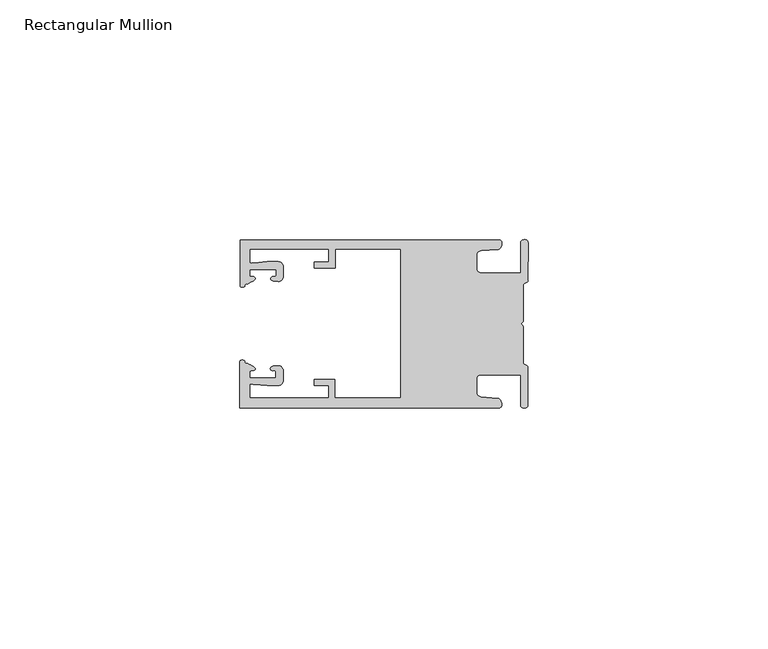
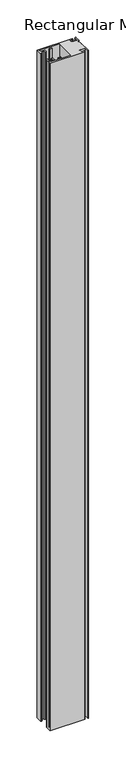
"""IFC4 building model written with IfcOpenShell, lengths in millimetres: member geometry, Rectangular Mullion."""

from ifc_helpers import new_model, si_unit, frame, origin, place, context, project, spatial, circle_curve, source, transform, mapped, element, save
from ifc_brep_helpers import plane_surface, cylinder_surface, extruded_surface, spline_curve, advanced_brep


def rectangular_mullion_eef07542(model_context):
    return source(origin(), model_context, "Body", "AdvancedBrep", [
        advanced_brep(
        [(-60.0749377, 17.5111528, 0.0), (-60.0749377, 8.0140787, 0.0), (-59.3252567, 7.7187455, 0.0), (-58.4967974, 8.36785, 0.0), (-58.0726619, 10.1173923, 0.0), (-58.0713101, 11.3673916, 0.0), (-52.5713133, 11.3614437, 0.0), (-52.5726651, 10.1114444, 0.0), (-53.1427626, 8.8955539, 0.0), (-52.0740172, 8.8609044, 0.0), (-51.0729364, 9.8598224, 0.0), (-51.0706653, 11.9598211, 0.0), (-52.0700692, 12.9609024, 0.0), (-54.3905105, 12.9622843, 0.0), (-57.1599646, 12.7230061, 0.0), (-58.0696339, 12.9173907, 0.0), (-58.066768, 15.5673891, 0.0), (-41.5667584, 15.5673891, 0.0), (-41.5695894, 12.9495468, 0.0), (-44.5695877, 12.9527912, 0.0), (-44.5709936, 11.6527919, 0.0), (-40.2709961, 11.6481417, 0.0), (-40.2667576, 15.5673891, 0.0), (-26.6002952, 15.5673891, 0.0), (-26.6002952, -15.4518424, 0.0), (-40.3003032, -15.4518424, 0.0), (-40.2960856, -11.5518447, 0.0), (-44.5960831, -11.5471945, 0.0), (-44.597489, -12.8471938, 0.0), (-41.5974907, -12.8504381, 0.0), (-41.6003025, -15.4504366, 0.0), (-58.1002928, -15.4325927, 0.0), (-58.097427, -12.7825943, 0.0), (-57.1873395, -12.5901776, 0.0), (-54.4184094, -12.8354453, 0.0), (-52.0979705, -12.8390822, 0.0), (-51.0964037, -11.8401649, 0.0), (-51.0941327, -9.7401662, 0.0), (-52.0930507, -8.7390853, 0.0), (-53.1618685, -8.7714231, 0.0), (-52.5944022, -9.9885439, 0.0), (-52.595754, -11.2385431, 0.0), (-58.0957508, -11.2325952, 0.0), (-58.094399, -9.9825959, 0.0), (-58.5147494, -8.2321403, 0.0), (-59.3418028, -7.5812455, 0.0), (-60.0921208, -7.8749565, 0.0), (-60.0921208, -17.4888267, 0.0), (-6.1024861, -17.4888267, 0.0), (-6.5218639, -15.488372, 0.0), (-9.8784944, -15.2205466, 0.0), (-10.7989567, -14.2226333, 0.0), (-10.7961029, -11.5837474, 0.0), (-9.8734844, -10.5878272, 0.0), (-1.5950266, -10.5934991, 0.0), (-1.601948, -16.9936935, 0.0), (-0.1017194, -16.7830581, 0.0), (-0.0933208, -9.0170082, 0.0), (-1.0923837, -8.1499018, 0.0), (-1.0842165, -0.5977972, 0.0), (-1.0829111, 0.6093089, 0.0), (-1.0747439, 8.1614135, 0.0), (-0.0738079, 9.026357, 0.0), (-0.0654093, 16.7924069, 0.0), (-1.5651789, 17.0062866, 0.0), (-1.5651789, 10.6183257, 0.0), (-9.8505511, 10.6183257, 0.0), (-10.7710133, 11.6162391, 0.0), (-10.7681595, 14.255125, 0.0), (-9.845541, 15.2510452, 0.0), (-6.4883391, 15.5116099, 0.0), (-6.0646356, 17.5111528, 0.0), (-60.0749377, 17.5111528, -1092.2), (-6.0646356, 17.5111528, -1092.2), (-6.4883391, 15.5116099, -1092.2), (-9.845541, 15.2510452, -1092.2), (-10.7681595, 14.255125, -1092.2), (-10.7710133, 11.6162391, -1092.2), (-9.8505511, 10.6183257, -1092.2), (-1.5651789, 10.6183257, -1092.2), (-1.5651789, 17.0062866, -1092.2), (-0.0654093, 16.7924069, -1092.2), (-0.0738079, 9.026357, -1092.2), (-1.0747439, 8.1614135, -1092.2), (-1.0829111, 0.6093089, -1092.2), (-1.0842165, -0.5977972, -1092.2), (-1.0923837, -8.1499018, -1092.2), (-0.0933208, -9.0170082, -1092.2), (-0.1017194, -16.7830581, -1092.2), (-1.601948, -16.9936935, -1092.2), (-1.5950266, -10.5934991, -1092.2), (-9.8734844, -10.5878272, -1092.2), (-10.7961029, -11.5837474, -1092.2), (-10.7989567, -14.2226333, -1092.2), (-9.8784944, -15.2205466, -1092.2), (-6.5218639, -15.488372, -1092.2), (-6.1024861, -17.4888267, -1092.2), (-60.0921208, -17.4888267, -1092.2), (-60.0921208, -7.8749565, -1092.2), (-59.3418028, -7.5812455, -1092.2), (-58.5147494, -8.2321403, -1092.2), (-58.094399, -9.9825959, -1092.2), (-58.0957508, -11.2325952, -1092.2), (-52.595754, -11.2385431, -1092.2), (-52.5944022, -9.9885439, -1092.2), (-53.1618685, -8.7714231, -1092.2), (-52.0930507, -8.7390853, -1092.2), (-51.0941327, -9.7401662, -1092.2), (-51.0964037, -11.8401649, -1092.2), (-52.0979705, -12.8390823, -1092.2), (-54.4184094, -12.8354453, -1092.2), (-57.1873395, -12.5901776, -1092.2), (-58.097427, -12.7825943, -1092.2), (-58.1002928, -15.4325927, -1092.2), (-41.6003025, -15.4504366, -1092.2), (-41.5974907, -12.8504381, -1092.2), (-44.597489, -12.8471938, -1092.2), (-44.5960831, -11.5471945, -1092.2), (-40.2960856, -11.5518447, -1092.2), (-40.3003032, -15.4518424, -1092.2), (-26.6002952, -15.4518424, -1092.2), (-26.6002952, 15.5673891, -1092.2), (-40.2667576, 15.5673891, -1092.2), (-40.2709961, 11.6481417, -1092.2), (-44.5709936, 11.6527919, -1092.2), (-44.5695877, 12.9527912, -1092.2), (-41.5695894, 12.9495468, -1092.2), (-41.5667584, 15.5673891, -1092.2), (-58.066768, 15.5673891, -1092.2), (-58.0696339, 12.9173907, -1092.2), (-57.1599646, 12.7230061, -1092.2), (-54.3905105, 12.9622843, -1092.2), (-52.0700692, 12.9609023, -1092.2), (-51.0706653, 11.9598211, -1092.2), (-51.0729364, 9.8598224, -1092.2), (-52.0740172, 8.8609044, -1092.2), (-53.1427626, 8.8955539, -1092.2), (-52.5726651, 10.1114444, -1092.2), (-52.5713133, 11.3614437, -1092.2), (-58.0713101, 11.3673916, -1092.2), (-58.0726619, 10.1173923, -1092.2), (-58.4967974, 8.36785, -1092.2), (-59.3252567, 7.7187455, -1092.2), (-60.0749377, 8.0140787, -1092.2)],
        [
            (0, 1),
            (1, 2, spline_curve(3, [(-60.0749377, 8.0140787, 0.0), (-60.075233123, 7.740904774, 0.0), (-59.825339491, 7.642460332, 0.0), (-59.3252567, 7.7187455, 0.0)], [4, 4], [0.0, 0.0019169337574178654])),
            (2, 3, spline_curve(3, [(-59.3252567, 7.7187455, 0.0), (-59.094460914, 7.75918372, 0.0), (-59.054835463, 7.902257199, 0.0), (-59.05559987, 8.233305614, 0.0), (-59.138729113, 8.4134359, 0.0), (-58.4967974, 8.36785, 0.0)], [4, 2, 4], [0.0, 0.0010199524164107188, 0.0024874514725970356])),
            (3, 4, spline_curve(3, [(-58.4967974, 8.36785, 0.0), (-57.022393378, 9.053435667, 0.0), (-56.827266887, 9.364828726, 0.0), (-56.982213078, 9.742623404, 0.0), (-57.177375211, 9.855581791, 0.0), (-57.697928101, 9.887955071, 0.0), (-57.997449153, 9.835475348, 0.0), (-58.0726619, 10.1173923, 0.0)], [4, 2, 2, 4], [0.0, 0.003269869179570428, 0.005490050486237203, 0.0073545767114364426])),
            (4, 5),
            (5, 6),
            (6, 7),
            (7, 8, spline_curve(3, [(-52.5726651, 10.1114444, 0.0), (-52.667195519, 9.760172042, 0.0), (-52.937094388, 9.861877724, 0.0), (-53.356237032, 9.895631753, 0.0), (-53.491940439, 9.811038713, 0.0), (-53.761900775, 9.511438033, 0.0), (-53.892893546, 9.278787104, 0.0), (-53.1427626, 8.8955539, 0.0)], [4, 2, 2, 4], [0.0, 0.001593963049934732, 0.0033360256320283306, 0.005339140673503943])),
            (8, 9),
            (9, 10, circle_curve(frame((-52.0729358, 9.8609038, 0.0), z_axis=(0.0, 0.0, 1.0), x_axis=(-0.0010814451158600304, -0.9999994152380598, 0.0)), 1.0)),
            (10, 11),
            (11, 12, circle_curve(frame((-52.0706647, 11.9609026, 0.0), z_axis=(0.0, 0.0, 1.0), x_axis=(-0.0010814451158600304, -0.9999994152380598, 0.0)), 1.0)),
            (12, 13),
            (13, 14),
            (14, 15, spline_curve(3, [(-57.1599646, 12.7230061, 0.0), (-57.631533854, 12.682262968, 0.0), (-58.018602985, 12.477800124, 0.0), (-58.0696339, 12.9173907, 0.0)], [4, 4], [0.0, 0.0014803385355886016])),
            (15, 16),
            (16, 17),
            (17, 18),
            (18, 19),
            (19, 20),
            (20, 21),
            (21, 22),
            (22, 23),
            (23, 24),
            (24, 25),
            (25, 26),
            (26, 27),
            (27, 28),
            (28, 29),
            (29, 30),
            (30, 31),
            (31, 32),
            (32, 33, spline_curve(3, [(-58.097427, -12.7825943, 0.0), (-58.045445419, -12.343115126, 0.0), (-57.658819528, -12.548414611, 0.0), (-57.1873395, -12.5901776, 0.0)], [4, 4], [0.0, 0.0014803385355886016])),
            (33, 34),
            (34, 35),
            (35, 36, circle_curve(frame((-52.0964031, -11.8390835, 0.0), z_axis=(0.0, 0.0, 1.0), x_axis=(0.0010814451158600304, 0.9999994152380598, 0.0)), 1.0)),
            (36, 37),
            (37, 38, circle_curve(frame((-52.0941321, -9.7390847, 0.0), z_axis=(0.0, 0.0, 1.0), x_axis=(0.0010814451158600304, 0.9999994152380598, 0.0)), 1.0)),
            (38, 39),
            (39, 40, spline_curve(3, [(-53.1618685, -8.7714231, 0.0), (-53.912826582, -9.153032958, 0.0), (-53.782337352, -9.385966711, 0.0), (-53.51302565, -9.686150585, 0.0), (-53.377505444, -9.771037009, 0.0), (-52.958290774, -9.738189618, 0.0), (-52.688172635, -9.637067904, 0.0), (-52.5944022, -9.9885439, 0.0)], [4, 2, 2, 4], [0.0, 0.002003115041475612, 0.0037451776235692107, 0.005339140673503943])),
            (40, 41),
            (41, 42),
            (42, 43),
            (43, 44, spline_curve(3, [(-58.094399, -9.9825959, 0.0), (-58.018576674, -9.700842284, 0.0), (-57.719169706, -9.753969703, 0.0), (-57.198548014, -9.722722397, 0.0), (-57.003142178, -9.61018632, 0.0), (-56.847379222, -9.232727657, 0.0), (-57.041831673, -8.920913336, 0.0), (-58.5147494, -8.2321403, 0.0)], [4, 2, 2, 4], [0.0, 0.0018645262251992395, 0.004084707531866015, 0.0073545767114364426])),
            (44, 45, spline_curve(3, [(-58.5147494, -8.2321403, 0.0), (-59.156778208, -8.276337666, 0.0), (-59.073259494, -8.096387681, 0.0), (-59.071779067, -7.765341694, 0.0), (-59.111095017, -7.622182811, 0.0), (-59.3418028, -7.5812455, 0.0)], [4, 2, 4], [0.0, 0.0014674990561863168, 0.0024874514725970356])),
            (45, 46, spline_curve(3, [(-59.3418028, -7.5812455, 0.0), (-59.841719425, -7.503878887, 0.0), (-60.091825377, -7.601782574, 0.0), (-60.0921208, -7.8749565, 0.0)], [4, 4], [0.0, 0.0019169337574178654])),
            (46, 47),
            (47, 48),
            (48, 49, spline_curve(3, [(-6.1024861, -17.4888267, 0.0), (-5.074532184, -17.418062188, 0.0), (-5.631140689, -15.411414367, 0.0), (-6.5218639, -15.488372, 0.0)], [4, 4], [0.0, 0.0043819361547461745])),
            (49, 50),
            (50, 51, spline_curve(3, [(-9.8784944, -15.2205466, 0.0), (-10.440691543, -15.150698463, 0.0), (-10.74751234, -14.818060727, 0.0), (-10.7989567, -14.2226333, 0.0)], [4, 4], [0.0, 0.0028645797420738927])),
            (51, 52),
            (52, 53, spline_curve(3, [(-10.7961029, -11.5837474, 0.0), (-10.743370817, -10.988432634, 0.0), (-10.435831301, -10.656459204, 0.0), (-9.8734844, -10.5878272, 0.0)], [4, 4], [0.0, 0.0028645797420738927])),
            (53, 54),
            (54, 55),
            (55, 56, spline_curve(3, [(-1.601948, -16.9936935, 0.0), (-1.655676874, -17.600261454, 0.0), (-0.043737403, -17.912795581, 0.0), (-0.1017194, -16.7830581, 0.0)], [4, 4], [0.0, 0.0036987374396357936])),
            (56, 57),
            (57, 58, spline_curve(3, [(-0.0933208, -9.0170082, 0.0), (-0.018818183, -8.695886697, 0.0), (-1.193434327, -8.459763043, 0.0), (-1.0923837, -8.1499018, 0.0)], [4, 4], [0.0, 0.002027216749630121])),
            (58, 59),
            (59, 60, spline_curve(3, [(-1.0842165, -0.5977972, 0.0), (-1.013223198, -0.445980437, 0.0), (-1.487945123, -0.206736825, 0.0), (-1.487409651, 0.231097965, 0.0), (-0.999110985, 0.429090391, 0.0), (-1.0829111, 0.6093089, 0.0)], [4, 2, 4], [0.0, 0.00249866671847065, 0.005031402919736269])),
            (60, 61),
            (61, 62, spline_curve(3, [(-1.0747439, 8.1614135, 0.0), (-1.175124095, 8.47149258, 0.0), (-7e-09, 8.705075107, 0.0), (-0.0738079, 9.026357, 0.0)], [4, 4], [0.0, 0.002027216749630121])),
            (62, 63),
            (63, 64, spline_curve(3, [(-0.0654093, 16.7924069, 0.0), (-0.004983942, 17.92201633, 0.0), (-1.617595709, 17.612969344, 0.0), (-1.5651789, 17.0062866, 0.0)], [4, 4], [0.0, 0.0036987374396357936])),
            (64, 65),
            (65, 66),
            (66, 67, spline_curve(3, [(-9.8505511, 10.6183257, 0.0), (-10.412748243, 10.688173837, 0.0), (-10.71956894, 11.020811673, 0.0), (-10.7710133, 11.6162391, 0.0)], [4, 4], [0.0, 0.0028645797420738927])),
            (67, 68),
            (68, 69, spline_curve(3, [(-10.7681595, 14.255125, 0.0), (-10.715427417, 14.850439766, 0.0), (-10.407887901, 15.182413196, 0.0), (-9.845541, 15.2510452, 0.0)], [4, 4], [0.0, 0.0028645797420738927])),
            (69, 70),
            (70, 71, spline_curve(3, [(-6.4883391, 15.5116099, 0.0), (-5.597784423, 15.432725911, 0.0), (-5.036837144, 17.438165103, 0.0), (-6.0646356, 17.5111528, 0.0)], [4, 4], [0.0, 0.0043819361547461745])),
            (71, 0),
            (72, 73),
            (73, 74, spline_curve(3, [(-6.0646356, 17.5111528, -1092.2), (-5.036837144, 17.438165103, -1092.2), (-5.597784423, 15.432725911, -1092.2), (-6.4883391, 15.5116099, -1092.2)], [4, 4], [0.0, 0.0043819361547461745])),
            (74, 75),
            (75, 76, spline_curve(3, [(-9.845541, 15.2510452, -1092.2), (-10.407887901, 15.182413196, -1092.2), (-10.715427417, 14.850439766, -1092.2), (-10.7681595, 14.255125, -1092.2)], [4, 4], [0.0, 0.0028645797420738927])),
            (76, 77),
            (77, 78, spline_curve(3, [(-10.7710133, 11.6162391, -1092.2), (-10.71956894, 11.020811673, -1092.2), (-10.412748243, 10.688173837, -1092.2), (-9.8505511, 10.6183257, -1092.2)], [4, 4], [0.0, 0.0028645797420738927])),
            (78, 79),
            (79, 80),
            (80, 81, spline_curve(3, [(-1.5651789, 17.0062866, -1092.2), (-1.617595709, 17.612969344, -1092.2), (-0.004983942, 17.92201633, -1092.2), (-0.0654093, 16.7924069, -1092.2)], [4, 4], [0.0, 0.0036987374396357936])),
            (81, 82),
            (82, 83, spline_curve(3, [(-0.0738079, 9.026357, -1092.2), (-7e-09, 8.705075107, -1092.2), (-1.175124095, 8.47149258, -1092.2), (-1.0747439, 8.1614135, -1092.2)], [4, 4], [0.0, 0.002027216749630121])),
            (83, 84),
            (84, 85, spline_curve(3, [(-1.0829111, 0.6093089, -1092.2), (-0.999110985, 0.429090391, -1092.2), (-1.487409651, 0.231097965, -1092.2), (-1.487945123, -0.206736825, -1092.2), (-1.013223198, -0.445980437, -1092.2), (-1.0842165, -0.5977972, -1092.2)], [4, 2, 4], [0.0, 0.002532736201265619, 0.005031402919736269])),
            (85, 86),
            (86, 87, spline_curve(3, [(-1.0923837, -8.1499018, -1092.2), (-1.193434327, -8.459763043, -1092.2), (-0.018818183, -8.695886697, -1092.2), (-0.0933208, -9.0170082, -1092.2)], [4, 4], [0.0, 0.002027216749630121])),
            (87, 88),
            (88, 89, spline_curve(3, [(-0.1017194, -16.7830581, -1092.2), (-0.043737403, -17.912795581, -1092.2), (-1.655676874, -17.600261454, -1092.2), (-1.601948, -16.9936935, -1092.2)], [4, 4], [0.0, 0.0036987374396357936])),
            (89, 90),
            (90, 91),
            (91, 92, spline_curve(3, [(-9.8734844, -10.5878272, -1092.2), (-10.435831301, -10.656459204, -1092.2), (-10.743370817, -10.988432634, -1092.2), (-10.7961029, -11.5837474, -1092.2)], [4, 4], [0.0, 0.0028645797420738927])),
            (92, 93),
            (93, 94, spline_curve(3, [(-10.7989567, -14.2226333, -1092.2), (-10.74751234, -14.818060727, -1092.2), (-10.440691543, -15.150698463, -1092.2), (-9.8784944, -15.2205466, -1092.2)], [4, 4], [0.0, 0.0028645797420738927])),
            (94, 95),
            (95, 96, spline_curve(3, [(-6.5218639, -15.488372, -1092.2), (-5.631140689, -15.411414367, -1092.2), (-5.074532184, -17.418062188, -1092.2), (-6.1024861, -17.4888267, -1092.2)], [4, 4], [0.0, 0.0043819361547461745])),
            (96, 97),
            (97, 98),
            (98, 99, spline_curve(3, [(-60.0921208, -7.8749565, -1092.2), (-60.091825377, -7.601782574, -1092.2), (-59.841719425, -7.503878887, -1092.2), (-59.3418028, -7.5812455, -1092.2)], [4, 4], [0.0, 0.0019169337574178654])),
            (99, 100, spline_curve(3, [(-59.3418028, -7.5812455, -1092.2), (-59.111095017, -7.622182811, -1092.2), (-59.071779067, -7.765341694, -1092.2), (-59.073259494, -8.096387681, -1092.2), (-59.156778208, -8.276337666, -1092.2), (-58.5147494, -8.2321403, -1092.2)], [4, 2, 4], [0.0, 0.0010199524164107188, 0.0024874514725970356])),
            (100, 101, spline_curve(3, [(-58.5147494, -8.2321403, -1092.2), (-57.041831673, -8.920913336, -1092.2), (-56.847379222, -9.232727657, -1092.2), (-57.003142178, -9.61018632, -1092.2), (-57.198548014, -9.722722397, -1092.2), (-57.719169706, -9.753969703, -1092.2), (-58.018576674, -9.700842284, -1092.2), (-58.094399, -9.9825959, -1092.2)], [4, 2, 2, 4], [0.0, 0.003269869179570428, 0.005490050486237203, 0.0073545767114364426])),
            (101, 102),
            (102, 103),
            (103, 104),
            (104, 105, spline_curve(3, [(-52.5944022, -9.9885439, -1092.2), (-52.688172635, -9.637067904, -1092.2), (-52.958290774, -9.738189618, -1092.2), (-53.377505444, -9.771037009, -1092.2), (-53.51302565, -9.686150585, -1092.2), (-53.782337352, -9.385966711, -1092.2), (-53.912826582, -9.153032958, -1092.2), (-53.1618685, -8.7714231, -1092.2)], [4, 2, 2, 4], [0.0, 0.001593963049934732, 0.0033360256320283306, 0.005339140673503943])),
            (105, 106),
            (106, 107, circle_curve(frame((-52.0941321, -9.7390847, -1092.2), z_axis=(0.0, 0.0, -1.0), x_axis=(0.0010814451158600304, 0.9999994152380598, 0.0)), 1.0)),
            (107, 108),
            (108, 109, circle_curve(frame((-52.0964031, -11.8390835, -1092.2), z_axis=(0.0, 0.0, -1.0), x_axis=(0.0010814451158600304, 0.9999994152380598, 0.0)), 1.0)),
            (109, 110),
            (110, 111),
            (111, 112, spline_curve(3, [(-57.1873395, -12.5901776, -1092.2), (-57.658819528, -12.548414611, -1092.2), (-58.045445419, -12.343115126, -1092.2), (-58.097427, -12.7825943, -1092.2)], [4, 4], [0.0, 0.0014803385355886016])),
            (112, 113),
            (113, 114),
            (114, 115),
            (115, 116),
            (116, 117),
            (117, 118),
            (118, 119),
            (119, 120),
            (120, 121),
            (121, 122),
            (122, 123),
            (123, 124),
            (124, 125),
            (125, 126),
            (126, 127),
            (127, 128),
            (128, 129),
            (129, 130, spline_curve(3, [(-58.0696339, 12.9173907, -1092.2), (-58.018602985, 12.477800124, -1092.2), (-57.631533854, 12.682262968, -1092.2), (-57.1599646, 12.7230061, -1092.2)], [4, 4], [0.0, 0.0014803385355886016])),
            (130, 131),
            (131, 132),
            (132, 133, circle_curve(frame((-52.0706647, 11.9609026, -1092.2), z_axis=(0.0, 0.0, -1.0), x_axis=(-0.0010814451158600304, -0.9999994152380598, 0.0)), 1.0)),
            (133, 134),
            (134, 135, circle_curve(frame((-52.0729358, 9.8609038, -1092.2), z_axis=(0.0, 0.0, -1.0), x_axis=(-0.0010814451158600304, -0.9999994152380598, 0.0)), 1.0)),
            (135, 136),
            (136, 137, spline_curve(3, [(-53.1427626, 8.8955539, -1092.2), (-53.892893546, 9.278787104, -1092.2), (-53.761900775, 9.511438033, -1092.2), (-53.491940439, 9.811038713, -1092.2), (-53.356237032, 9.895631753, -1092.2), (-52.937094388, 9.861877724, -1092.2), (-52.667195519, 9.760172042, -1092.2), (-52.5726651, 10.1114444, -1092.2)], [4, 2, 2, 4], [0.0, 0.002003115041475612, 0.0037451776235692107, 0.005339140673503943])),
            (137, 138),
            (138, 139),
            (139, 140),
            (140, 141, spline_curve(3, [(-58.0726619, 10.1173923, -1092.2), (-57.997449153, 9.835475348, -1092.2), (-57.697928101, 9.887955071, -1092.2), (-57.177375211, 9.855581791, -1092.2), (-56.982213078, 9.742623404, -1092.2), (-56.827266887, 9.364828726, -1092.2), (-57.022393378, 9.053435667, -1092.2), (-58.4967974, 8.36785, -1092.2)], [4, 2, 2, 4], [0.0, 0.0018645262251992395, 0.004084707531866015, 0.0073545767114364426])),
            (141, 142, spline_curve(3, [(-58.4967974, 8.36785, -1092.2), (-59.138729113, 8.4134359, -1092.2), (-59.05559987, 8.233305614, -1092.2), (-59.054835463, 7.902257199, -1092.2), (-59.094460914, 7.75918372, -1092.2), (-59.3252567, 7.7187455, -1092.2)], [4, 2, 4], [0.0, 0.0014674990561863168, 0.0024874514725970356])),
            (142, 143, spline_curve(3, [(-59.3252567, 7.7187455, -1092.2), (-59.825339491, 7.642460332, -1092.2), (-60.075233123, 7.740904774, -1092.2), (-60.0749377, 8.0140787, -1092.2)], [4, 4], [0.0, 0.0019169337574178654])),
            (143, 72),
            (0, 72),
            (143, 1),
            (142, 2),
            (141, 3),
            (140, 4),
            (139, 5),
            (138, 6),
            (137, 7),
            (136, 8),
            (135, 9),
            (134, 10),
            (133, 11),
            (132, 12),
            (131, 13),
            (130, 14),
            (129, 15),
            (128, 16),
            (127, 17),
            (126, 18),
            (125, 19),
            (124, 20),
            (123, 21),
            (122, 22),
            (121, 23),
            (120, 24),
            (119, 25),
            (118, 26),
            (117, 27),
            (116, 28),
            (115, 29),
            (114, 30),
            (113, 31),
            (112, 32),
            (111, 33),
            (110, 34),
            (109, 35),
            (108, 36),
            (107, 37),
            (106, 38),
            (105, 39),
            (104, 40),
            (103, 41),
            (102, 42),
            (101, 43),
            (100, 44),
            (99, 45),
            (98, 46),
            (97, 47),
            (96, 48),
            (95, 49),
            (94, 50),
            (93, 51),
            (92, 52),
            (91, 53),
            (90, 54),
            (89, 55),
            (88, 56),
            (87, 57),
            (86, 58),
            (85, 59),
            (84, 60),
            (83, 61),
            (82, 62),
            (81, 63),
            (80, 64),
            (79, 65),
            (78, 66),
            (77, 67),
            (76, 68),
            (75, 69),
            (74, 70),
            (73, 71),
        ],
        [
            plane_surface(frame((0.0, -62.5853181, 0.0), z_axis=(0.0, 0.0, 1.0), x_axis=(-1.0, 0.0, 0.0))),
            plane_surface(frame((0.0, -62.5853181, -1092.2), z_axis=(0.0, 0.0, -1.0), x_axis=(-1.0, 0.0, 0.0))),
            plane_surface(frame((-60.0749377, 17.5111528, 0.0), z_axis=(-1.0, 0.0, 0.0), x_axis=(0.0, 0.0, -1.0))),
            extruded_surface(spline_curve(3, [(-60.0749377, 8.0140787, -1092.2), (-60.075233123, 7.740904774, -1092.2), (-59.825339491, 7.642460332, -1092.2), (-59.3252567, 7.7187455, -1092.2)], [4, 4], [0.0, 0.0019169337574178654]), (0.0, 0.0, 1092.2), 1092.2),
            extruded_surface(spline_curve(3, [(-59.3252567, 7.7187455, -1092.2), (-59.094460914, 7.75918372, -1092.2), (-59.054835463, 7.902257199, -1092.2), (-59.05559987, 8.233305614, -1092.2), (-59.138729113, 8.4134359, -1092.2), (-58.4967974, 8.36785, -1092.2)], [4, 2, 4], [0.0, 0.0010199524164107188, 0.0024874514725970356]), (0.0, 0.0, 1092.2), 1092.2),
            extruded_surface(spline_curve(3, [(-58.4967974, 8.36785, -1092.2), (-57.022393378, 9.053435667, -1092.2), (-56.827266887, 9.364828726, -1092.2), (-56.982213078, 9.742623404, -1092.2), (-57.177375211, 9.855581791, -1092.2), (-57.697928101, 9.887955071, -1092.2), (-57.997449153, 9.835475348, -1092.2), (-58.0726619, 10.1173923, -1092.2)], [4, 2, 2, 4], [0.0, 0.003269869179570428, 0.005490050486237203, 0.0073545767114364426]), (0.0, 0.0, 1092.2), 1092.2),
            plane_surface(frame((-58.0726619, 10.1173923, 0.0), z_axis=(0.9999994152380598, -0.0010814451158634145, 0.0), x_axis=(0.0, 0.0, -1.0))),
            plane_surface(frame((-58.0713101, 11.3673916, 0.0), z_axis=(-0.0010814451158616418, -0.9999994152380598, 0.0), x_axis=(0.0, 0.0, -1.0))),
            plane_surface(frame((-52.5713133, 11.3614437, 0.0), z_axis=(-0.9999994152380598, 0.0010814451158643293, 0.0), x_axis=(0.0, 0.0, -1.0))),
            extruded_surface(spline_curve(3, [(-52.5726651, 10.1114444, -1092.2), (-52.667195519, 9.760172042, -1092.2), (-52.937094388, 9.861877724, -1092.2), (-53.356237032, 9.895631753, -1092.2), (-53.491940439, 9.811038713, -1092.2), (-53.761900775, 9.511438033, -1092.2), (-53.892893546, 9.278787104, -1092.2), (-53.1427626, 8.8955539, -1092.2)], [4, 2, 2, 4], [0.0, 0.001593963049934732, 0.0033360256320283306, 0.005339140673503943]), (0.0, 0.0, 1092.2), 1092.2),
            plane_surface(frame((-53.1427626, 8.8955539, 0.0), z_axis=(-0.032403661401520414, -0.9994748634797054, 0.0), x_axis=(0.0, 0.0, -1.0))),
            cylinder_surface(frame((-52.0729358, 9.8609038, 0.0), z_axis=(0.0, 0.0, 1.0000000000000002), x_axis=(-0.0010814451158600304, -0.9999994152380598, 0.0)), 1.0),
            plane_surface(frame((-51.0729364, 9.8598224, 0.0), z_axis=(0.9999994152380598, -0.001081445115864059, 0.0), x_axis=(0.0, 0.0, -1.0))),
            cylinder_surface(frame((-52.0706647, 11.9609026, 0.0), z_axis=(0.0, 0.0, 1.0000000000000002), x_axis=(-0.0010814451158600304, -0.9999994152380598, 0.0)), 1.0),
            plane_surface(frame((-52.0700692, 12.9609023, 0.0), z_axis=(0.0005955716436318007, 0.999999822647193, 0.0), x_axis=(0.0, 0.0, -1.0))),
            plane_surface(frame((-54.3905105, 12.9622843, 0.0), z_axis=(-0.08607836189159865, 0.9962883697073147, 0.0), x_axis=(0.0, 0.0, -1.0))),
            extruded_surface(spline_curve(3, [(-57.1599646, 12.7230061, -1092.2), (-57.631533854, 12.682262968, -1092.2), (-58.018602985, 12.477800124, -1092.2), (-58.0696339, 12.9173907, -1092.2)], [4, 4], [0.0, 0.0014803385355886016]), (0.0, 0.0, 1092.2), 1092.2),
            plane_surface(frame((-58.0696339, 12.9173907, 0.0), z_axis=(0.9999994152380598, -0.0010814451158629996, 0.0), x_axis=(0.0, 0.0, -1.0))),
            plane_surface(frame((-58.066768, 15.5673891, 0.0), z_axis=(0.0, -1.0, 0.0), x_axis=(0.0, 0.0, -1.0))),
            plane_surface(frame((-41.5667584, 15.5673891, 0.0), z_axis=(-0.9999994152380598, 0.0010814451158636304, 0.0), x_axis=(0.0, 0.0, -1.0))),
            plane_surface(frame((-41.5695894, 12.9495468, 0.0), z_axis=(0.0010814451158615687, 0.9999994152380598, 0.0), x_axis=(0.0, 0.0, -1.0))),
            plane_surface(frame((-44.5695877, 12.9527912, 0.0), z_axis=(-0.9999994152380598, 0.0010814451158626742, 0.0), x_axis=(0.0, 0.0, -1.0))),
            plane_surface(frame((-44.5709936, 11.6527919, 0.0), z_axis=(-0.001081445115861604, -0.9999994152380598, 0.0), x_axis=(0.0, 0.0, -1.0))),
            plane_surface(frame((-40.2709961, 11.6481417, 0.0), z_axis=(0.9999994152380598, -0.001081445115863507, 0.0), x_axis=(0.0, 0.0, -1.0))),
            plane_surface(frame((-40.2667576, 15.5673891, 0.0), z_axis=(0.0, -1.0, 0.0), x_axis=(0.0, 0.0, -1.0))),
            plane_surface(frame((-26.6002952, 15.5673891, 0.0), z_axis=(-1.0, 0.0, 0.0), x_axis=(0.0, 0.0, -1.0))),
            plane_surface(frame((-26.6002952, -15.4518424, 0.0), z_axis=(0.0, 1.0, 0.0), x_axis=(0.0, 0.0, -1.0))),
            plane_surface(frame((-40.3003032, -15.4518424, 0.0), z_axis=(0.9999994152380598, -0.0010814451158565538, 0.0), x_axis=(0.0, 0.0, -1.0))),
            plane_surface(frame((-40.2960856, -11.5518447, 0.0), z_axis=(0.0010814451158584568, 0.9999994152380598, 0.0), x_axis=(0.0, 0.0, -1.0))),
            plane_surface(frame((-44.5960831, -11.5471945, 0.0), z_axis=(-0.9999994152380598, 0.0010814451158573867, 0.0), x_axis=(0.0, 0.0, -1.0))),
            plane_surface(frame((-44.597489, -12.8471938, 0.0), z_axis=(-0.0010814451158584922, -0.9999994152380598, 0.0), x_axis=(0.0, 0.0, -1.0))),
            plane_surface(frame((-41.5974907, -12.8504381, 0.0), z_axis=(-0.9999994152380598, 0.0010814451158564305, 0.0), x_axis=(0.0, 0.0, -1.0))),
            plane_surface(frame((-41.6003025, -15.4504366, 0.0), z_axis=(0.0010814451158583872, 0.9999994152380598, 0.0), x_axis=(0.0, 0.0, -1.0))),
            plane_surface(frame((-58.1002928, -15.4325927, 0.0), z_axis=(0.9999994152380598, -0.0010814451158570612, 0.0), x_axis=(0.0, 0.0, -1.0))),
            extruded_surface(spline_curve(3, [(-58.097427, -12.7825943, -1092.2), (-58.045445419, -12.343115126, -1092.2), (-57.658819528, -12.548414611, -1092.2), (-57.1873395, -12.5901776, -1092.2)], [4, 4], [0.0, 0.0014803385355886016]), (0.0, 0.0, 1092.2), 1092.2),
            plane_surface(frame((-57.1873395, -12.5901776, 0.0), z_axis=(-0.0882330216729926, -0.9960998614026876, 0.0), x_axis=(0.0, 0.0, -1.0))),
            plane_surface(frame((-54.4184094, -12.8354453, 0.0), z_axis=(-0.0015673183327880543, -0.9999987717558677, 0.0), x_axis=(0.0, 0.0, -1.0))),
            cylinder_surface(frame((-52.0964031, -11.8390835, 0.0), z_axis=(0.0, 0.0, 1.0000000000000002), x_axis=(0.0010814451158600304, 0.9999994152380598, 0.0)), 1.0),
            plane_surface(frame((-51.0964037, -11.8401649, 0.0), z_axis=(0.9999994152380598, -0.001081445115856002, 0.0), x_axis=(0.0, 0.0, -1.0))),
            cylinder_surface(frame((-52.0941321, -9.7390847, 0.0), z_axis=(0.0, 0.0, 1.0000000000000002), x_axis=(0.0010814451158600304, 0.9999994152380598, 0.0)), 1.0),
            plane_surface(frame((-52.0930507, -8.7390853, 0.0), z_axis=(-0.030241832452872642, 0.9995426111826812, 0.0), x_axis=(0.0, 0.0, -1.0))),
            extruded_surface(spline_curve(3, [(-53.1618685, -8.7714231, -1092.2), (-53.912826582, -9.153032958, -1092.2), (-53.782337352, -9.385966711, -1092.2), (-53.51302565, -9.686150585, -1092.2), (-53.377505444, -9.771037009, -1092.2), (-52.958290774, -9.738189618, -1092.2), (-52.688172635, -9.637067904, -1092.2), (-52.5944022, -9.9885439, -1092.2)], [4, 2, 2, 4], [0.0, 0.002003115041475612, 0.0037451776235692107, 0.005339140673503943]), (0.0, 0.0, 1092.2), 1092.2),
            plane_surface(frame((-52.5944022, -9.9885439, 0.0), z_axis=(-0.9999994152380598, 0.0010814451158557316, 0.0), x_axis=(0.0, 0.0, -1.0))),
            plane_surface(frame((-52.595754, -11.2385431, 0.0), z_axis=(0.001081445115858419, 0.9999994152380598, 0.0), x_axis=(0.0, 0.0, -1.0))),
            plane_surface(frame((-58.0957508, -11.2325952, 0.0), z_axis=(0.9999994152380598, -0.0010814451158566464, 0.0), x_axis=(0.0, 0.0, -1.0))),
            extruded_surface(spline_curve(3, [(-58.094399, -9.9825959, -1092.2), (-58.018576674, -9.700842284, -1092.2), (-57.719169706, -9.753969703, -1092.2), (-57.198548014, -9.722722397, -1092.2), (-57.003142178, -9.61018632, -1092.2), (-56.847379222, -9.232727657, -1092.2), (-57.041831673, -8.920913336, -1092.2), (-58.5147494, -8.2321403, -1092.2)], [4, 2, 2, 4], [0.0, 0.0018645262251992395, 0.004084707531866015, 0.0073545767114364426]), (0.0, 0.0, 1092.2), 1092.2),
            extruded_surface(spline_curve(3, [(-58.5147494, -8.2321403, -1092.2), (-59.156778208, -8.276337666, -1092.2), (-59.073259494, -8.096387681, -1092.2), (-59.071779067, -7.765341694, -1092.2), (-59.111095017, -7.622182811, -1092.2), (-59.3418028, -7.5812455, -1092.2)], [4, 2, 4], [0.0, 0.0014674990561863168, 0.0024874514725970356]), (0.0, 0.0, 1092.2), 1092.2),
            extruded_surface(spline_curve(3, [(-59.3418028, -7.5812455, -1092.2), (-59.841719425, -7.503878887, -1092.2), (-60.091825377, -7.601782574, -1092.2), (-60.0921208, -7.8749565, -1092.2)], [4, 4], [0.0, 0.0019169337574178654]), (0.0, 0.0, 1092.2), 1092.2),
            plane_surface(frame((-60.0921208, -7.8749565, 0.0), z_axis=(-1.0, 0.0, 0.0), x_axis=(0.0, 0.0, -1.0))),
            plane_surface(frame((-60.0921208, -17.4888267, 0.0), z_axis=(0.0, -1.0, 0.0), x_axis=(0.0, 0.0, -1.0))),
            extruded_surface(spline_curve(3, [(-6.1024861, -17.4888267, -1092.2), (-5.074532184, -17.418062188, -1092.2), (-5.631140689, -15.411414367, -1092.2), (-6.5218639, -15.488372, -1092.2)], [4, 4], [0.0, 0.0043819361547461745]), (0.0, 0.0, 1092.2), 1092.2),
            plane_surface(frame((-6.5218639, -15.488372, 0.0), z_axis=(0.07953716124904908, 0.9968319015663789, 0.0), x_axis=(0.0, 0.0, -1.0))),
            extruded_surface(spline_curve(3, [(-9.8784944, -15.2205466, -1092.2), (-10.440691543, -15.150698463, -1092.2), (-10.74751234, -14.818060727, -1092.2), (-10.7989567, -14.2226333, -1092.2)], [4, 4], [0.0, 0.0028645797420738927]), (0.0, 0.0, 1092.2), 1092.2),
            plane_surface(frame((-10.7989567, -14.2226333, 0.0), z_axis=(0.9999994152380598, -0.0010814451158568247, 0.0), x_axis=(0.0, 0.0, -1.0))),
            extruded_surface(spline_curve(3, [(-10.7961029, -11.5837474, -1092.2), (-10.743370817, -10.988432634, -1092.2), (-10.435831301, -10.656459204, -1092.2), (-9.8734844, -10.5878272, -1092.2)], [4, 4], [0.0, 0.0028645797420738927]), (0.0, 0.0, 1092.2), 1092.2),
            plane_surface(frame((-9.8734844, -10.5878272, 0.0), z_axis=(-0.0006851371995361226, -0.9999997652934814, 0.0), x_axis=(0.0, 0.0, -1.0))),
            plane_surface(frame((-1.5950266, -10.5934991, 0.0), z_axis=(-0.9999994152380598, 0.0010814451158568644, 0.0), x_axis=(0.0, 0.0, -1.0))),
            extruded_surface(spline_curve(3, [(-1.601948, -16.9936935, -1092.2), (-1.655676874, -17.600261454, -1092.2), (-0.043737403, -17.912795581, -1092.2), (-0.1017194, -16.7830581, -1092.2)], [4, 4], [0.0, 0.0036987374396357936]), (0.0, 0.0, 1092.2), 1092.2),
            plane_surface(frame((-0.1017194, -16.7830581, 0.0), z_axis=(0.9999994152380598, -0.001081445115856699, 0.0), x_axis=(0.0, 0.0, -1.0))),
            extruded_surface(spline_curve(3, [(-0.0933208, -9.0170082, -1092.2), (-0.018818183, -8.695886697, -1092.2), (-1.193434327, -8.459763043, -1092.2), (-1.0923837, -8.1499018, -1092.2)], [4, 4], [0.0, 0.002027216749630121]), (0.0, 0.0, 1092.2), 1092.2),
            plane_surface(frame((-1.0923837, -8.1499018, 0.0), z_axis=(0.9999994152380598, -0.0010814451158566698, 0.0), x_axis=(0.0, 0.0, -1.0))),
            extruded_surface(spline_curve(3, [(-1.0842165, -0.5977972, -1092.2), (-1.013223198, -0.445980437, -1092.2), (-1.487945123, -0.206736825, -1092.2), (-1.487409651, 0.231097965, -1092.2), (-0.999110985, 0.429090391, -1092.2), (-1.0829111, 0.6093089, -1092.2)], [4, 2, 4], [0.0, 0.00249866671847065, 0.005031402919736269]), (0.0, 0.0, 1092.2), 1092.2),
            plane_surface(frame((-1.0829111, 0.6093089, 0.0), z_axis=(0.9999994152380598, -0.001081445115863391, 0.0), x_axis=(0.0, 0.0, -1.0))),
            extruded_surface(spline_curve(3, [(-1.0747439, 8.1614135, -1092.2), (-1.175124095, 8.47149258, -1092.2), (-7e-09, 8.705075107, -1092.2), (-0.0738079, 9.026357, -1092.2)], [4, 4], [0.0, 0.002027216749630121]), (0.0, 0.0, 1092.2), 1092.2),
            plane_surface(frame((-0.0738079, 9.026357, 0.0), z_axis=(0.9999994152380598, -0.001081445115863362, 0.0), x_axis=(0.0, 0.0, -1.0))),
            extruded_surface(spline_curve(3, [(-0.0654093, 16.7924069, -1092.2), (-0.004983942, 17.92201633, -1092.2), (-1.617595709, 17.612969344, -1092.2), (-1.5651789, 17.0062866, -1092.2)], [4, 4], [0.0, 0.0036987374396357936]), (0.0, 0.0, 1092.2), 1092.2),
            plane_surface(frame((-1.5651789, 17.0062866, 0.0), z_axis=(-1.0, 0.0, 0.0), x_axis=(0.0, 0.0, -1.0))),
            plane_surface(frame((-1.5651789, 10.6183257, 0.0), z_axis=(0.0, 1.0, 0.0), x_axis=(0.0, 0.0, -1.0))),
            extruded_surface(spline_curve(3, [(-9.8505511, 10.6183257, -1092.2), (-10.412748243, 10.688173837, -1092.2), (-10.71956894, 11.020811673, -1092.2), (-10.7710133, 11.6162391, -1092.2)], [4, 4], [0.0, 0.0028645797420738927]), (0.0, 0.0, 1092.2), 1092.2),
            plane_surface(frame((-10.7710133, 11.6162391, 0.0), z_axis=(0.9999994152380598, -0.0010814451158632362, 0.0), x_axis=(0.0, 0.0, -1.0))),
            extruded_surface(spline_curve(3, [(-10.7681595, 14.255125, -1092.2), (-10.715427417, 14.850439766, -1092.2), (-10.407887901, 15.182413196, -1092.2), (-9.845541, 15.2510452, -1092.2)], [4, 4], [0.0, 0.0028645797420738927]), (0.0, 0.0, 1092.2), 1092.2),
            plane_surface(frame((-9.845541, 15.2510452, 0.0), z_axis=(0.07738093848608862, -0.9970015999781607, 0.0), x_axis=(0.0, 0.0, -1.0))),
            extruded_surface(spline_curve(3, [(-6.4883391, 15.5116099, -1092.2), (-5.597784423, 15.432725911, -1092.2), (-5.036837144, 17.438165103, -1092.2), (-6.0646356, 17.5111528, -1092.2)], [4, 4], [0.0, 0.0043819361547461745]), (0.0, 0.0, 1092.2), 1092.2),
            plane_surface(frame((-6.0646356, 17.5111528, 0.0), z_axis=(0.0, 1.0, 0.0), x_axis=(0.0, 0.0, -1.0))),
        ],
        [
            (0, [[1, 2, 3, 4, 5, 6, 7, 8, 9, 10, 11, 12, 13, 14, 15, 16, 17, 18, 19, 20, 21, 22, 23, 24, 25, 26, 27, 28, 29, 30, 31, 32, 33, 34, 35, 36, 37, 38, 39, 40, 41, 42, 43, 44, 45, 46, 47, 48, 49, 50, 51, 52, 53, 54, 55, 56, 57, 58, 59, 60, 61, 62, 63, 64, 65, 66, 67, 68, 69, 70, 71, 72]]),
            (1, [[73, 74, 75, 76, 77, 78, 79, 80, 81, 82, 83, 84, 85, 86, 87, 88, 89, 90, 91, 92, 93, 94, 95, 96, 97, 98, 99, 100, 101, 102, 103, 104, 105, 106, 107, 108, 109, 110, 111, 112, 113, 114, 115, 116, 117, 118, 119, 120, 121, 122, 123, 124, 125, 126, 127, 128, 129, 130, 131, 132, 133, 134, 135, 136, 137, 138, 139, 140, 141, 142, 143, 144]]),
            (2, [[-1, 145, -144, 146]]),
            (3, [[-2, -146, -143, 147]]),
            (4, [[-3, -147, -142, 148]]),
            (5, [[-4, -148, -141, 149]]),
            (6, [[-5, -149, -140, 150]]),
            (7, [[-6, -150, -139, 151]]),
            (8, [[-7, -151, -138, 152]]),
            (9, [[-8, -152, -137, 153]]),
            (10, [[-9, -153, -136, 154]]),
            (11, [[-10, -154, -135, 155]]),
            (12, [[-11, -155, -134, 156]]),
            (13, [[-12, -156, -133, 157]]),
            (14, [[-13, -157, -132, 158]]),
            (15, [[-14, -158, -131, 159]]),
            (16, [[-15, -159, -130, 160]]),
            (17, [[-16, -160, -129, 161]]),
            (18, [[-17, -161, -128, 162]]),
            (19, [[-18, -162, -127, 163]]),
            (20, [[-19, -163, -126, 164]]),
            (21, [[-20, -164, -125, 165]]),
            (22, [[-21, -165, -124, 166]]),
            (23, [[-22, -166, -123, 167]]),
            (24, [[-23, -167, -122, 168]]),
            (25, [[-24, -168, -121, 169]]),
            (26, [[-25, -169, -120, 170]]),
            (27, [[-26, -170, -119, 171]]),
            (28, [[-27, -171, -118, 172]]),
            (29, [[-28, -172, -117, 173]]),
            (30, [[-29, -173, -116, 174]]),
            (31, [[-30, -174, -115, 175]]),
            (32, [[-31, -175, -114, 176]]),
            (33, [[-32, -176, -113, 177]]),
            (34, [[-33, -177, -112, 178]]),
            (35, [[-34, -178, -111, 179]]),
            (36, [[-35, -179, -110, 180]]),
            (37, [[-36, -180, -109, 181]]),
            (38, [[-37, -181, -108, 182]]),
            (39, [[-38, -182, -107, 183]]),
            (40, [[-39, -183, -106, 184]]),
            (41, [[-40, -184, -105, 185]]),
            (42, [[-41, -185, -104, 186]]),
            (43, [[-42, -186, -103, 187]]),
            (44, [[-43, -187, -102, 188]]),
            (45, [[-44, -188, -101, 189]]),
            (46, [[-45, -189, -100, 190]]),
            (47, [[-46, -190, -99, 191]]),
            (48, [[-47, -191, -98, 192]]),
            (49, [[-48, -192, -97, 193]]),
            (50, [[-49, -193, -96, 194]]),
            (51, [[-50, -194, -95, 195]]),
            (52, [[-51, -195, -94, 196]]),
            (53, [[-52, -196, -93, 197]]),
            (54, [[-53, -197, -92, 198]]),
            (55, [[-54, -198, -91, 199]]),
            (56, [[-55, -199, -90, 200]]),
            (57, [[-56, -200, -89, 201]]),
            (58, [[-57, -201, -88, 202]]),
            (59, [[-58, -202, -87, 203]]),
            (60, [[-59, -203, -86, 204]]),
            (61, [[-60, -204, -85, 205]]),
            (62, [[-61, -205, -84, 206]]),
            (63, [[-62, -206, -83, 207]]),
            (64, [[-63, -207, -82, 208]]),
            (65, [[-64, -208, -81, 209]]),
            (66, [[-65, -209, -80, 210]]),
            (67, [[-66, -210, -79, 211]]),
            (68, [[-67, -211, -78, 212]]),
            (69, [[-68, -212, -77, 213]]),
            (70, [[-69, -213, -76, 214]]),
            (71, [[-70, -214, -75, 215]]),
            (72, [[-71, -215, -74, 216]]),
            (73, [[-72, -216, -73, -145]]),
        ],
    ),
    ])


if __name__ == "__main__":
    model = new_model("IFC4")
    model_context = context("Model", 3, world=origin())
    ifc_project = project(units=[si_unit("LENGTHUNIT", "METRE", prefix="MILLI")], contexts=[model_context])
    site = spatial("IfcSite", under=ifc_project)
    building = spatial("IfcBuilding", under=site)
    placement = place(None, origin())
    rectangular_mullion_shape = rectangular_mullion_eef07542(model_context)
    element("IfcMember", 1, ObjectType="Rectangular Mullion", at=placement, inside=building, context=model_context, shape_type="MappedRepresentation", body=[
        mapped(rectangular_mullion_shape, transform((0.0, 0.0, 0.0), x_axis=(1.0, 0.0, 0.0), y_axis=(0.0, 1.0, 0.0), z_axis=(0.0, 0.0, 1.0))),
    ])
    save(model, "model.ifc")
